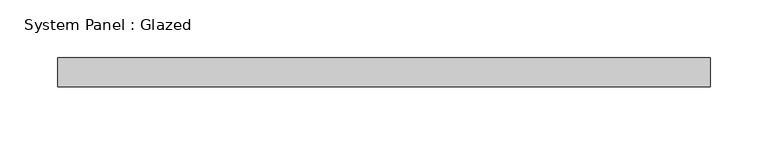
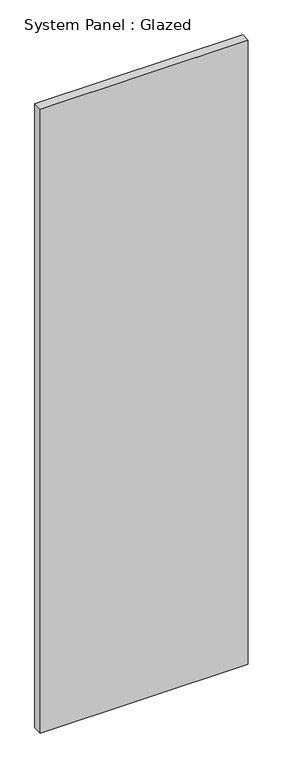
"""IFC4 building model written with IfcOpenShell, lengths in millimetres: plate geometry, System Panel : Glazed."""

from ifc_helpers import new_model, si_unit, origin, origin_with_axes, place, context, project, spatial, polyline, outline, extrude, source, transform, mapped, element, save


def system_panel_glazed_593ae55f(model_context):
    return source(origin(), model_context, "Body", "SweptSolid", [
        extrude(outline(polyline([(282.75, 24.5), (-282.75, 24.5), (-282.75, 49.5), (282.75, 49.5), (282.75, 24.5)])), origin_with_axes(), (0.0, 0.0, 1.0), 1791.6666667),
    ])


if __name__ == "__main__":
    model = new_model("IFC4")
    model_context = context("Model", 3, world=origin())
    ifc_project = project(units=[si_unit("LENGTHUNIT", "METRE", prefix="MILLI")], contexts=[model_context])
    site = spatial("IfcSite", under=ifc_project)
    building = spatial("IfcBuilding", under=site)
    placement = place(None, origin())
    system_panel_glazed_shape = system_panel_glazed_593ae55f(model_context)
    element("IfcPlate", 1, ObjectType="System Panel : Glazed", at=placement, inside=building, context=model_context, shape_type="MappedRepresentation", body=[
        mapped(system_panel_glazed_shape, transform((0.0, 0.0, 0.0), x_axis=(1.0, 0.0, 0.0), y_axis=(0.0, 1.0, 0.0), z_axis=(0.0, 0.0, 1.0))),
    ])
    save(model, "model.ifc")
